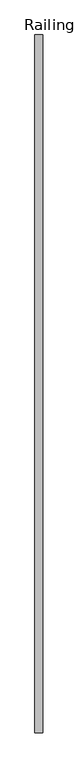
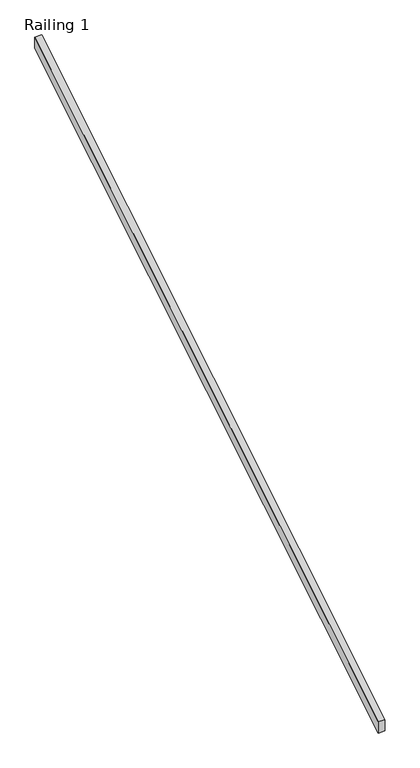
"""IFC4 building model written with IfcOpenShell, lengths in millimetres: railing geometry, Railing 1."""

import ifcopenshell
import ifcopenshell.guid

model = None  # the IFC model being written
_history = None  # IfcOwnerHistory: only IFC2X3 demands one
_inside = {}  # id of a spatial element -> (the spatial element, [elements in it])
_under = {}  # id of a project, library or spatial element -> (it, [spatial elements below it])
_declared = {}  # id of a project -> (the project, [libraries it declares])
_typed = {}  # id of a type object -> (the type object, [elements of that type])
_made_of = {}  # id of a material, layer set ... -> (it, [elements and type objects made of it])


def new_model(schema):
    """Start an empty IFC model of exactly this schema.

    Asked for "IFC4X3", IfcOpenShell would pick the latest addendum, in which some entities
    have other attributes; the version numbers below select the first issue.
    IFC2X3 requires an IfcOwnerHistory on every rooted entity: one is made here for all.
    """
    global model, _history
    if schema == "IFC4X3":
        model = ifcopenshell.file(schema_version=(4, 3, 0, 0))
    else:
        model = ifcopenshell.file(schema=schema)
    _inside.clear()
    _under.clear()
    _declared.clear()
    _typed.clear()
    _made_of.clear()
    _history = None
    if model.schema == "IFC2X3":
        org = make("IfcOrganization", Name="unknown")
        user = make(
            "IfcPersonAndOrganization",
            ThePerson=make("IfcPerson", FamilyName="unknown"),
            TheOrganization=org,
        )
        app = make(
            "IfcApplication",
            ApplicationDeveloper=org,
            Version="unknown",
            ApplicationFullName="unknown",
            ApplicationIdentifier="unknown",
        )
        _history = make(
            "IfcOwnerHistory",
            OwningUser=user,
            OwningApplication=app,
            ChangeAction="ADDED",
            CreationDate=0,
        )
    return model


def make(cls, **values):
    """One entity of the class cls with the attributes given. An attribute that is None is left unset."""
    return model.create_entity(
        cls, **{name: value for name, value in values.items() if value is not None}
    )


def rooted(cls, **values):
    """An entity with a GlobalId (a new one), such as an element, a storey or a relation."""
    return make(cls, GlobalId=ifcopenshell.guid.new(), OwnerHistory=_history, **values)


def si_unit(unit_type, name, prefix=None):
    """IfcSIUnit, for example si_unit("LENGTHUNIT", "METRE", prefix="MILLI")."""
    return make("IfcSIUnit", UnitType=unit_type, Prefix=prefix, Name=name)


def assignment(units):
    """IfcUnitAssignment: the units of a project."""
    return None if units is None else make("IfcUnitAssignment", Units=units)


def point(xyz):
    """IfcCartesianPoint."""
    return None if xyz is None else make("IfcCartesianPoint", Coordinates=xyz)


def direction(xyz):
    """IfcDirection."""
    return None if xyz is None else make("IfcDirection", DirectionRatios=xyz)


def frame(location, z_axis=None, x_axis=None):
    """IfcAxis2Placement3D, a coordinate frame: its origin and axes. An axis left out is left unset."""
    return make(
        "IfcAxis2Placement3D",
        Location=point(location),
        Axis=direction(z_axis),
        RefDirection=direction(x_axis),
    )


def origin():
    """The frame at (0, 0, 0) with its axes left unset."""
    return frame((0.0, 0.0, 0.0))


def place(relative_to, where):
    """IfcLocalPlacement: puts the frame where relative to a parent placement (None: the world)."""
    return make(
        "IfcLocalPlacement", PlacementRelTo=relative_to, RelativePlacement=where
    )


def context(
    kind, dimensions, precision=None, world=None, true_north=None, identifier=None
):
    """IfcGeometricRepresentationContext, for example the 3D "Model" context."""
    return make(
        "IfcGeometricRepresentationContext",
        ContextIdentifier=identifier,
        ContextType=kind,
        CoordinateSpaceDimension=dimensions,
        Precision=precision,
        WorldCoordinateSystem=world,
        TrueNorth=true_north,
    )


def project(units=None, contexts=None):
    """IfcProject with its units and contexts."""
    return rooted(
        "IfcProject",
        Name="project",
        RepresentationContexts=contexts,
        UnitsInContext=assignment(units),
    )


def spatial(cls, under=None, at=None, **own):
    """A site, building, storey or space (cls), placed at a placement, below another one or the project."""
    s = rooted(cls, ObjectPlacement=at, **own)
    if under is not None:
        _under.setdefault(under.id(), (under, []))[1].append(s)
    return s


def polyline(points):
    """IfcPolyline through the points."""
    return make("IfcPolyline", Points=[point(p) for p in points])


def outline(outer, holes=None, kind="AREA"):
    """IfcArbitraryClosedProfileDef: a profile drawn as a closed curve; with holes, ...WithVoids."""
    if holes is None:
        return make("IfcArbitraryClosedProfileDef", ProfileType=kind, OuterCurve=outer)
    return make(
        "IfcArbitraryProfileDefWithVoids",
        ProfileType=kind,
        OuterCurve=outer,
        InnerCurves=holes,
    )


def extrude(swept, where, along, depth):
    """IfcExtrudedAreaSolid: the profile swept, set in the frame where, extruded along a direction by depth."""
    return make(
        "IfcExtrudedAreaSolid",
        SweptArea=swept,
        Position=where,
        ExtrudedDirection=direction(along),
        Depth=depth,
    )


def shape(context_of_items, identifier, shape_type, items):
    """IfcShapeRepresentation: the items that make up one representation, for example the "Body"."""
    return make(
        "IfcShapeRepresentation",
        ContextOfItems=context_of_items,
        RepresentationIdentifier=identifier,
        RepresentationType=shape_type,
        Items=items,
    )


def source(mapping_origin, context_of_items, identifier, shape_type, items):
    """IfcRepresentationMap: a shape defined once, which mapped items show again and again."""
    return make(
        "IfcRepresentationMap",
        MappingOrigin=mapping_origin,
        MappedRepresentation=shape(context_of_items, identifier, shape_type, items),
    )


def transform(
    local_origin,
    x_axis=None,
    y_axis=None,
    z_axis=None,
    scale=None,
    scale2=None,
    scale3=None,
    uniform=True,
):
    """IfcCartesianTransformationOperator3D, or its non-uniform kind. x_axis, y_axis, z_axis: its Axis1, 2, 3."""
    if uniform:
        return make(
            "IfcCartesianTransformationOperator3D",
            Axis1=direction(x_axis),
            Axis2=direction(y_axis),
            LocalOrigin=point(local_origin),
            Scale=scale,
            Axis3=direction(z_axis),
        )
    return make(
        "IfcCartesianTransformationOperator3DnonUniform",
        Axis1=direction(x_axis),
        Axis2=direction(y_axis),
        LocalOrigin=point(local_origin),
        Scale=scale,
        Axis3=direction(z_axis),
        Scale2=scale2,
        Scale3=scale3,
    )


def mapped(mapping_source, mapping_target):
    """IfcMappedItem: shows the shape of a source again, moved by a transform."""
    return make(
        "IfcMappedItem", MappingSource=mapping_source, MappingTarget=mapping_target
    )


def made_of(thing, what):
    """Note that an element or type object is made of a material, layer set ...; save() writes the relation."""
    if what is not None:
        _made_of.setdefault(what.id(), (what, []))[1].append(thing)
    return thing


def element(
    cls,
    number,
    at=None,
    inside=None,
    cuts=None,
    type_object=None,
    material=None,
    context=None,
    identifier="Body",
    shape_type=None,
    held_by="IfcProductDefinitionShape",
    body=None,
    shapes=None,
    **own,
):
    """One element of the class cls, such as IfcWall. Its Tag is "e" and its number.

    at: its placement. inside: the storey or other place that contains it. cuts: it is an
    opening in that element (IfcRelVoidsElement). A single representation is given by context,
    identifier, shape_type and body (its items); several are given by shapes. held_by: the class
    of the entity that holds the representations. save() writes the other relations.
    """
    e = rooted(cls, Tag="e%d" % number, ObjectPlacement=at, **own)
    if body is not None:
        shapes = [shape(context, identifier, shape_type, body)]
    if shapes is not None:
        e.Representation = make(held_by, Representations=shapes)
    if inside is not None:
        _inside.setdefault(inside.id(), (inside, []))[1].append(e)
    if cuts is not None:
        rooted(
            "IfcRelVoidsElement", RelatingBuildingElement=cuts, RelatedOpeningElement=e
        )
    if type_object is not None:
        _typed.setdefault(type_object.id(), (type_object, []))[1].append(e)
    return made_of(e, material)


def aggregate(whole, parts):
    """IfcRelAggregates: a whole, such as a stair, and the parts it consists of."""
    return rooted("IfcRelAggregates", RelatingObject=whole, RelatedObjects=parts)


def save(model, path):
    """Write the relations noted so far, then the file.

    IfcRelAggregates (storeys below a building ...), IfcRelContainedInSpatialStructure (elements
    in a storey), IfcRelDefinesByType, IfcRelAssociatesMaterial and IfcRelDeclares: one each for
    every whole, place, type object, material and project.
    """
    for whole, parts in _under.values():
        aggregate(whole, parts)
    for where, things in _inside.values():
        rooted(
            "IfcRelContainedInSpatialStructure",
            RelatedElements=things,
            RelatingStructure=where,
        )
    for kind, things in _typed.values():
        rooted("IfcRelDefinesByType", RelatedObjects=things, RelatingType=kind)
    for what, things in _made_of.values():
        rooted("IfcRelAssociatesMaterial", RelatedObjects=things, RelatingMaterial=what)
    for by, libraries in _declared.values():
        rooted("IfcRelDeclares", RelatingContext=by, RelatedDefinitions=libraries)
    model.write(path)


def railing_1_3d28758f(model_context):
    return source(origin(), model_context, "Body", "SweptSolid", [
        extrude(outline(polyline([(4293.1546094, 981.3600889), (4293.1546094, 1070.5882353), (8773.1546094, 3800.0), (8773.1546094, 3710.7718536), (4293.1546094, 981.3600889)])), frame((23259.2, 0.0, 0.0), z_axis=(1.0, 0.0, 0.0), x_axis=(0.0, 1.0, 0.0)), (0.0, 0.0, 1.0), 50.8),
    ])


if __name__ == "__main__":
    model = new_model("IFC4")
    model_context = context("Model", 3, world=origin())
    ifc_project = project(units=[si_unit("LENGTHUNIT", "METRE", prefix="MILLI")], contexts=[model_context])
    site = spatial("IfcSite", under=ifc_project)
    building = spatial("IfcBuilding", under=site)
    placement = place(None, origin())
    railing_1_shape = railing_1_3d28758f(model_context)
    element("IfcRailing", 1, ObjectType="Railing 1", at=placement, inside=building, context=model_context, shape_type="MappedRepresentation", body=[
        mapped(railing_1_shape, transform((0.0, 0.0, 0.0), x_axis=(1.0, 0.0, 0.0), y_axis=(0.0, 1.0, 0.0), z_axis=(0.0, 0.0, 1.0))),
    ])
    save(model, "model.ifc")
